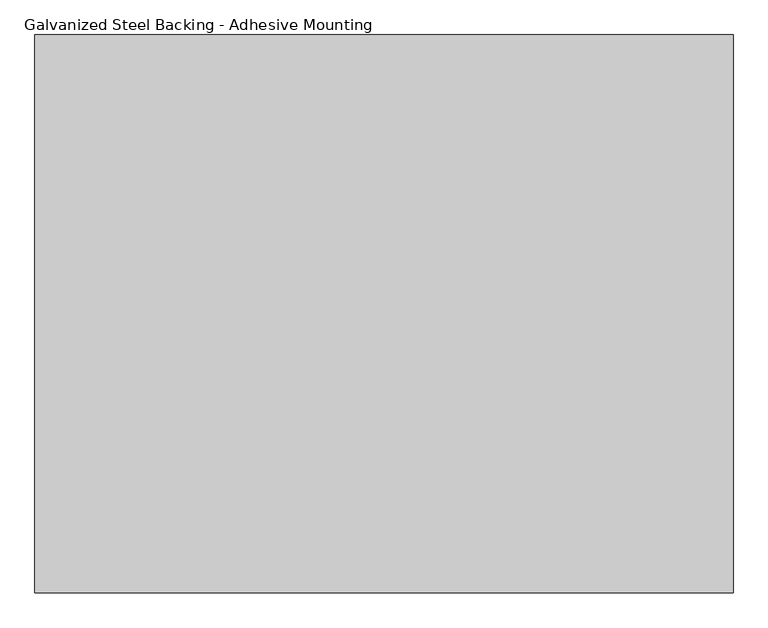
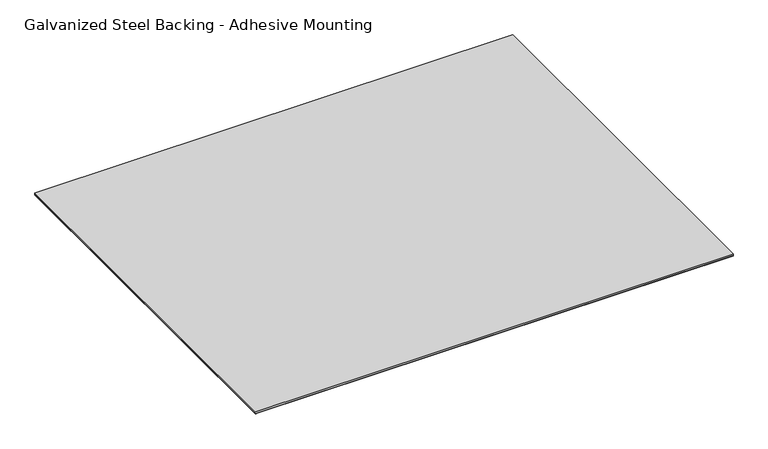
"""IFC4 building model written with IfcOpenShell, lengths in millimetres: proxy geometry, Galvanized Steel Backing - Adhesive Mounting."""

import ifcopenshell
import ifcopenshell.guid

model = None  # the IFC model being written
_history = None  # IfcOwnerHistory: only IFC2X3 demands one
_inside = {}  # id of a spatial element -> (the spatial element, [elements in it])
_under = {}  # id of a project, library or spatial element -> (it, [spatial elements below it])
_declared = {}  # id of a project -> (the project, [libraries it declares])
_typed = {}  # id of a type object -> (the type object, [elements of that type])
_made_of = {}  # id of a material, layer set ... -> (it, [elements and type objects made of it])


def new_model(schema):
    """Start an empty IFC model of exactly this schema.

    Asked for "IFC4X3", IfcOpenShell would pick the latest addendum, in which some entities
    have other attributes; the version numbers below select the first issue.
    IFC2X3 requires an IfcOwnerHistory on every rooted entity: one is made here for all.
    """
    global model, _history
    if schema == "IFC4X3":
        model = ifcopenshell.file(schema_version=(4, 3, 0, 0))
    else:
        model = ifcopenshell.file(schema=schema)
    _inside.clear()
    _under.clear()
    _declared.clear()
    _typed.clear()
    _made_of.clear()
    _history = None
    if model.schema == "IFC2X3":
        org = make("IfcOrganization", Name="unknown")
        user = make(
            "IfcPersonAndOrganization",
            ThePerson=make("IfcPerson", FamilyName="unknown"),
            TheOrganization=org,
        )
        app = make(
            "IfcApplication",
            ApplicationDeveloper=org,
            Version="unknown",
            ApplicationFullName="unknown",
            ApplicationIdentifier="unknown",
        )
        _history = make(
            "IfcOwnerHistory",
            OwningUser=user,
            OwningApplication=app,
            ChangeAction="ADDED",
            CreationDate=0,
        )
    return model


def make(cls, **values):
    """One entity of the class cls with the attributes given. An attribute that is None is left unset."""
    return model.create_entity(
        cls, **{name: value for name, value in values.items() if value is not None}
    )


def rooted(cls, **values):
    """An entity with a GlobalId (a new one), such as an element, a storey or a relation."""
    return make(cls, GlobalId=ifcopenshell.guid.new(), OwnerHistory=_history, **values)


def si_unit(unit_type, name, prefix=None):
    """IfcSIUnit, for example si_unit("LENGTHUNIT", "METRE", prefix="MILLI")."""
    return make("IfcSIUnit", UnitType=unit_type, Prefix=prefix, Name=name)


def assignment(units):
    """IfcUnitAssignment: the units of a project."""
    return None if units is None else make("IfcUnitAssignment", Units=units)


def point(xyz):
    """IfcCartesianPoint."""
    return None if xyz is None else make("IfcCartesianPoint", Coordinates=xyz)


def direction(xyz):
    """IfcDirection."""
    return None if xyz is None else make("IfcDirection", DirectionRatios=xyz)


def frame(location, z_axis=None, x_axis=None):
    """IfcAxis2Placement3D, a coordinate frame: its origin and axes. An axis left out is left unset."""
    return make(
        "IfcAxis2Placement3D",
        Location=point(location),
        Axis=direction(z_axis),
        RefDirection=direction(x_axis),
    )


def origin():
    """The frame at (0, 0, 0) with its axes left unset."""
    return frame((0.0, 0.0, 0.0))


def origin_with_axes():
    """The frame at (0, 0, 0) with the z axis (0, 0, 1) and the x axis (1, 0, 0) written out."""
    return frame((0.0, 0.0, 0.0), z_axis=(0.0, 0.0, 1.0), x_axis=(1.0, 0.0, 0.0))


def place(relative_to, where):
    """IfcLocalPlacement: puts the frame where relative to a parent placement (None: the world)."""
    return make(
        "IfcLocalPlacement", PlacementRelTo=relative_to, RelativePlacement=where
    )


def context(
    kind, dimensions, precision=None, world=None, true_north=None, identifier=None
):
    """IfcGeometricRepresentationContext, for example the 3D "Model" context."""
    return make(
        "IfcGeometricRepresentationContext",
        ContextIdentifier=identifier,
        ContextType=kind,
        CoordinateSpaceDimension=dimensions,
        Precision=precision,
        WorldCoordinateSystem=world,
        TrueNorth=true_north,
    )


def project(units=None, contexts=None):
    """IfcProject with its units and contexts."""
    return rooted(
        "IfcProject",
        Name="project",
        RepresentationContexts=contexts,
        UnitsInContext=assignment(units),
    )


def spatial(cls, under=None, at=None, **own):
    """A site, building, storey or space (cls), placed at a placement, below another one or the project."""
    s = rooted(cls, ObjectPlacement=at, **own)
    if under is not None:
        _under.setdefault(under.id(), (under, []))[1].append(s)
    return s


def polyline(points):
    """IfcPolyline through the points."""
    return make("IfcPolyline", Points=[point(p) for p in points])


def outline(outer, holes=None, kind="AREA"):
    """IfcArbitraryClosedProfileDef: a profile drawn as a closed curve; with holes, ...WithVoids."""
    if holes is None:
        return make("IfcArbitraryClosedProfileDef", ProfileType=kind, OuterCurve=outer)
    return make(
        "IfcArbitraryProfileDefWithVoids",
        ProfileType=kind,
        OuterCurve=outer,
        InnerCurves=holes,
    )


def extrude(swept, where, along, depth):
    """IfcExtrudedAreaSolid: the profile swept, set in the frame where, extruded along a direction by depth."""
    return make(
        "IfcExtrudedAreaSolid",
        SweptArea=swept,
        Position=where,
        ExtrudedDirection=direction(along),
        Depth=depth,
    )


def shape(context_of_items, identifier, shape_type, items):
    """IfcShapeRepresentation: the items that make up one representation, for example the "Body"."""
    return make(
        "IfcShapeRepresentation",
        ContextOfItems=context_of_items,
        RepresentationIdentifier=identifier,
        RepresentationType=shape_type,
        Items=items,
    )


def source(mapping_origin, context_of_items, identifier, shape_type, items):
    """IfcRepresentationMap: a shape defined once, which mapped items show again and again."""
    return make(
        "IfcRepresentationMap",
        MappingOrigin=mapping_origin,
        MappedRepresentation=shape(context_of_items, identifier, shape_type, items),
    )


def transform(
    local_origin,
    x_axis=None,
    y_axis=None,
    z_axis=None,
    scale=None,
    scale2=None,
    scale3=None,
    uniform=True,
):
    """IfcCartesianTransformationOperator3D, or its non-uniform kind. x_axis, y_axis, z_axis: its Axis1, 2, 3."""
    if uniform:
        return make(
            "IfcCartesianTransformationOperator3D",
            Axis1=direction(x_axis),
            Axis2=direction(y_axis),
            LocalOrigin=point(local_origin),
            Scale=scale,
            Axis3=direction(z_axis),
        )
    return make(
        "IfcCartesianTransformationOperator3DnonUniform",
        Axis1=direction(x_axis),
        Axis2=direction(y_axis),
        LocalOrigin=point(local_origin),
        Scale=scale,
        Axis3=direction(z_axis),
        Scale2=scale2,
        Scale3=scale3,
    )


def mapped(mapping_source, mapping_target):
    """IfcMappedItem: shows the shape of a source again, moved by a transform."""
    return make(
        "IfcMappedItem", MappingSource=mapping_source, MappingTarget=mapping_target
    )


def made_of(thing, what):
    """Note that an element or type object is made of a material, layer set ...; save() writes the relation."""
    if what is not None:
        _made_of.setdefault(what.id(), (what, []))[1].append(thing)
    return thing


def element(
    cls,
    number,
    at=None,
    inside=None,
    cuts=None,
    type_object=None,
    material=None,
    context=None,
    identifier="Body",
    shape_type=None,
    held_by="IfcProductDefinitionShape",
    body=None,
    shapes=None,
    **own,
):
    """One element of the class cls, such as IfcWall. Its Tag is "e" and its number.

    at: its placement. inside: the storey or other place that contains it. cuts: it is an
    opening in that element (IfcRelVoidsElement). A single representation is given by context,
    identifier, shape_type and body (its items); several are given by shapes. held_by: the class
    of the entity that holds the representations. save() writes the other relations.
    """
    e = rooted(cls, Tag="e%d" % number, ObjectPlacement=at, **own)
    if body is not None:
        shapes = [shape(context, identifier, shape_type, body)]
    if shapes is not None:
        e.Representation = make(held_by, Representations=shapes)
    if inside is not None:
        _inside.setdefault(inside.id(), (inside, []))[1].append(e)
    if cuts is not None:
        rooted(
            "IfcRelVoidsElement", RelatingBuildingElement=cuts, RelatedOpeningElement=e
        )
    if type_object is not None:
        _typed.setdefault(type_object.id(), (type_object, []))[1].append(e)
    return made_of(e, material)


def aggregate(whole, parts):
    """IfcRelAggregates: a whole, such as a stair, and the parts it consists of."""
    return rooted("IfcRelAggregates", RelatingObject=whole, RelatedObjects=parts)


def save(model, path):
    """Write the relations noted so far, then the file.

    IfcRelAggregates (storeys below a building ...), IfcRelContainedInSpatialStructure (elements
    in a storey), IfcRelDefinesByType, IfcRelAssociatesMaterial and IfcRelDeclares: one each for
    every whole, place, type object, material and project.
    """
    for whole, parts in _under.values():
        aggregate(whole, parts)
    for where, things in _inside.values():
        rooted(
            "IfcRelContainedInSpatialStructure",
            RelatedElements=things,
            RelatingStructure=where,
        )
    for kind, things in _typed.values():
        rooted("IfcRelDefinesByType", RelatedObjects=things, RelatingType=kind)
    for what, things in _made_of.values():
        rooted("IfcRelAssociatesMaterial", RelatedObjects=things, RelatingMaterial=what)
    for by, libraries in _declared.values():
        rooted("IfcRelDeclares", RelatingContext=by, RelatedDefinitions=libraries)
    model.write(path)


def galvanized_steel_backing_adhesive_mounting_07670767(model_context):
    return source(origin(), model_context, "Body", "SweptSolid", [
        extrude(outline(polyline([(-762.0, 609.6), (762.0, 609.6), (762.0, -609.6), (-762.0, -609.6), (-762.0, 609.6)])), origin_with_axes(), (0.0, 0.0, 1.0), 0.79375),
        extrude(outline(polyline([(762.0, -609.6), (-762.0, -609.6), (-762.0, 609.6), (762.0, 609.6), (762.0, -609.6)])), frame((0.0, 0.0, 0.79375), z_axis=(0.0, 0.0, 1.0), x_axis=(1.0, 0.0, 0.0)), (0.0, 0.0, 1.0), 6.35),
    ])


if __name__ == "__main__":
    model = new_model("IFC4")
    model_context = context("Model", 3, world=origin())
    ifc_project = project(units=[si_unit("LENGTHUNIT", "METRE", prefix="MILLI")], contexts=[model_context])
    site = spatial("IfcSite", under=ifc_project)
    building = spatial("IfcBuilding", under=site)
    placement = place(None, origin())
    galvanized_steel_backing_adhesive_mounting_shape = galvanized_steel_backing_adhesive_mounting_07670767(model_context)
    element("IfcBuildingElementProxy", 1, Name="Galvanized Steel Backing - Adhesive Mounting", ObjectType="Galvanized Steel Backing - Adhesive Mounting", at=placement, inside=building, context=model_context, shape_type="MappedRepresentation", body=[
        mapped(galvanized_steel_backing_adhesive_mounting_shape, transform((0.0, 0.0, 0.0), x_axis=(1.0, 0.0, 0.0), y_axis=(0.0, 1.0, 0.0), z_axis=(0.0, 0.0, 1.0))),
    ])
    save(model, "model.ifc")
